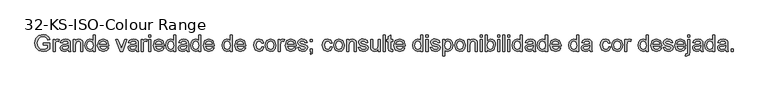
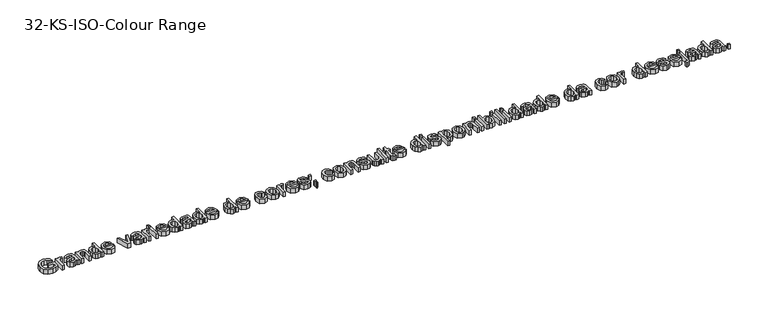
"""IFC4 building model written with IfcOpenShell, lengths in millimetres: proxy geometry, 32-KS-ISO-Colour Range."""

from ifc_helpers import new_model, si_unit, origin, origin_with_axes, place, context, project, spatial, polyline, outline, extrude, source, transform, mapped, element, save


def proxy_32_ks_iso_colour_range_17baf483(model_context):
    return source(origin(), model_context, "Body", "SweptSolid", [
        extrude(outline(polyline([(-1056.0437753, 357.6650582), (-1056.0437753, 363.9435776), (-1035.6385873, 363.9435776), (-1035.6385873, 345.1693331), (-1045.7124226, 339.246433), (-1056.3626063, 337.2598702), (-1069.771905, 340.417524), (-1078.8708531, 349.5593916), (-1081.9426677, 362.913508), (-1078.8831158, 376.5680614), (-1070.0846047, 385.9797091), (-1056.8653784, 389.0576552), (-1047.0429291, 387.2734275), (-1040.1574044, 382.3070205), (-1036.3620885, 373.9990188), (-1042.1500986, 372.3680753), (-1045.0134468, 378.1744795), (-1049.9062773, 381.5222056), (-1056.9634802, 382.7791358), (-1065.0017018, 381.4241038), (-1070.4708808, 377.8679111), (-1073.702111, 373.0302629), (-1075.6641483, 363.1710254), (-1073.3035722, 352.2265361), (-1066.4364416, 345.6782366), (-1056.8653784, 343.5383896), (-1048.2753338, 345.150939), (-1041.9171066, 348.5906357), (-1041.9171066, 357.6650582), (-1056.0437753, 357.6650582)])), origin_with_axes(), (0.0, 0.0, 1.0), 15.0),
        extrude(outline(polyline([(-1026.2208082, 338.0446852), (-1026.2208082, 374.9309865), (-1020.7271037, 374.9309865), (-1020.7271037, 369.4740703), (-1016.8275546, 374.5017909), (-1012.90348, 375.7158015), (-1006.6004351, 373.7782896), (-1008.6973625, 368.1496951), (-1013.1119464, 369.4372821), (-1016.6620077, 368.198746), (-1018.9244819, 364.7651807), (-1019.9422888, 357.4320663), (-1019.9422888, 338.0446852), (-1026.2208082, 338.0446852)])), origin_with_axes(), (0.0, 0.0, 1.0), 15.0),
        extrude(outline(polyline([(-979.1319128, 342.7535747), (-985.2203598, 338.4984063), (-991.946469, 337.2598702), (-1001.0638111, 340.2397144), (-1004.2459903, 347.8548717), (-1003.0442425, 352.8212786), (-999.8865887, 356.4265222), (-995.4903989, 358.4866614), (-990.0580081, 359.4308918), (-979.168701, 361.5891328), (-980.8609582, 367.6223976), (-987.8016652, 369.4372821), (-994.1537609, 368.2294029), (-997.182656, 363.9435776), (-1003.4611754, 364.7283925), (-1000.74498, 370.8597591), (-995.275801, 374.4527399), (-986.9923248, 375.7158015), (-979.3832988, 374.5998927), (-975.0852109, 371.7978582), (-973.1599617, 367.5365584), (-972.8533934, 362.042854), (-972.8533934, 354.2314929), (-972.5345624, 343.3237918), (-971.2837636, 338.0446852), (-977.562283, 338.0446852), (-979.1319128, 342.7535747)]), holes=[polyline([(-979.1319128, 355.3106135), (-989.2609304, 353.3853644), (-994.6626644, 352.3675575), (-997.1090796, 350.7120885), (-997.967471, 348.2963301), (-996.0974041, 344.899553), (-990.6098311, 343.5383896), (-984.2577353, 345.0405744), (-980.1619824, 348.6764748), (-979.168701, 353.5325172), (-979.1319128, 355.3106135)])]), origin_with_axes(), (0.0, 0.0, 1.0), 15.0),
        extrude(outline(polyline([(-964.2204293, 338.0446852), (-964.2204293, 374.9309865), (-957.9419099, 374.9309865), (-957.9419099, 369.7806386), (-953.1410498, 374.2320107), (-946.586619, 375.7158015), (-940.6575875, 374.520185), (-936.6108855, 371.3809253), (-934.728556, 366.7640062), (-934.3974622, 360.6939533), (-934.3974622, 338.0446852), (-940.6759816, 338.0446852), (-940.6759816, 359.8478247), (-941.3994828, 365.4028429), (-943.9562627, 368.3397675), (-948.2666134, 369.4372821), (-955.0785617, 366.9724727), (-957.9419099, 357.6160073), (-957.9419099, 338.0446852), (-964.2204293, 338.0446852)])), origin_with_axes(), (0.0, 0.0, 1.0), 15.0),
        extrude(outline(polyline([(-903.0048653, 338.0446852), (-903.0048653, 343.9675853), (-907.1588661, 338.936799), (-912.9008909, 337.2598702), (-920.6754638, 339.6878914), (-926.1691682, 346.4630515), (-928.1189428, 356.4510476), (-926.3224524, 366.4451752), (-920.9391125, 373.3245685), (-912.9254164, 375.7158015), (-907.1374063, 374.0051502), (-903.0048653, 369.5599094), (-903.0048653, 388.2728402), (-896.7263459, 388.2728402), (-896.7263459, 338.0446852), (-903.0048653, 338.0446852)]), holes=[polyline([(-921.8404234, 356.4755731), (-919.0077321, 346.7573571), (-912.3245425, 343.5383896), (-905.7210607, 346.6102043), (-903.0048653, 355.9973265), (-905.7701116, 366.1876578), (-912.5820599, 369.4372821), (-919.1916731, 366.3164165), (-921.8404234, 356.4755731)])]), origin_with_axes(), (0.0, 0.0, 1.0), 15.0),
        extrude(outline(polyline([(-861.4832507, 349.0320941), (-855.3273587, 348.2472792), (-861.0847119, 340.1416125), (-871.8084721, 337.2598702), (-884.8437574, 342.2324085), (-889.6630116, 356.1812675), (-884.7947065, 370.589979), (-872.1640913, 375.7158015), (-859.8952268, 370.6022417), (-855.131155, 356.2180557), (-855.1679432, 354.5257985), (-883.3844922, 354.5257985), (-879.7731173, 346.371081), (-871.6858447, 343.5383896), (-865.5299527, 344.8505021), (-861.4832507, 349.0320941)]), holes=[polyline([(-883.3844922, 360.8043179), (-861.4096743, 360.8043179), (-863.9235346, 366.4942261), (-872.1886168, 369.4372821), (-879.9202701, 367.0889687), (-883.3844922, 360.8043179)])]), origin_with_axes(), (0.0, 0.0, 1.0), 15.0),
        extrude(outline(polyline([(-820.1823654, 338.0446852), (-833.1563371, 374.9309865), (-826.5099357, 374.9309865), (-818.6495238, 352.8335414), (-816.2828163, 345.4023251), (-813.9651597, 352.4166084), (-806.0556968, 374.9309865), (-799.4092954, 374.9309865), (-812.2238516, 338.0446852), (-820.1823654, 338.0446852)])), origin_with_axes(), (0.0, 0.0, 1.0), 15.0),
        extrude(outline(polyline([(-770.3711433, 342.7535747), (-776.4595903, 338.4984063), (-783.1856994, 337.2598702), (-792.3030416, 340.2397144), (-795.4852208, 347.8548717), (-794.283473, 352.8212786), (-791.1258192, 356.4265222), (-786.7296293, 358.4866614), (-781.2972385, 359.4308918), (-770.4079315, 361.5891328), (-772.1001886, 367.6223976), (-779.0408956, 369.4372821), (-785.3929914, 368.2294029), (-788.4218865, 363.9435776), (-794.7004059, 364.7283925), (-791.9842105, 370.8597591), (-786.5150315, 374.4527399), (-778.2315552, 375.7158015), (-770.6225293, 374.5998927), (-766.3244413, 371.7978582), (-764.3991922, 367.5365584), (-764.0926239, 362.042854), (-764.0926239, 354.2314929), (-763.7737928, 343.3237918), (-762.522994, 338.0446852), (-768.8015134, 338.0446852), (-770.3711433, 342.7535747)]), holes=[polyline([(-770.3711433, 355.3106135), (-780.5001609, 353.3853644), (-785.9018948, 352.3675575), (-788.3483101, 350.7120885), (-789.2067014, 348.2963301), (-787.3366346, 344.899553), (-781.8490615, 343.5383896), (-775.4969657, 345.0405744), (-771.4012129, 348.6764748), (-770.4079315, 353.5325172), (-770.3711433, 355.3106135)])]), origin_with_axes(), (0.0, 0.0, 1.0), 15.0),
        extrude(outline(polyline([(-755.4596597, 338.0446852), (-755.4596597, 374.9309865), (-749.9659553, 374.9309865), (-749.9659553, 369.4740703), (-746.0664061, 374.5017909), (-742.1423315, 375.7158015), (-735.8392867, 373.7782896), (-737.936214, 368.1496951), (-742.350798, 369.4372821), (-745.9008592, 368.198746), (-748.1633335, 364.7651807), (-749.1811403, 357.4320663), (-749.1811403, 338.0446852), (-755.4596597, 338.0446852)])), origin_with_axes(), (0.0, 0.0, 1.0), 15.0),
        extrude(outline(polyline([(-731.915212, 381.9943208), (-731.915212, 388.2728402), (-725.6366927, 388.2728402), (-725.6366927, 381.9943208), (-731.915212, 381.9943208)])), origin_with_axes(), (0.0, 0.0, 1.0), 15.0),
        extrude(outline(polyline([(-731.915212, 338.0446852), (-731.915212, 374.9309865), (-725.6366927, 374.9309865), (-725.6366927, 338.0446852), (-731.915212, 338.0446852)])), origin_with_axes(), (0.0, 0.0, 1.0), 15.0),
        extrude(outline(polyline([(-690.3935975, 349.0320941), (-684.2377055, 348.2472792), (-689.9950587, 340.1416125), (-700.7188189, 337.2598702), (-713.7541042, 342.2324085), (-718.5733584, 356.1812675), (-713.7050533, 370.589979), (-701.0744381, 375.7158015), (-688.8055736, 370.6022417), (-684.0415017, 356.2180557), (-684.0782899, 354.5257985), (-712.294839, 354.5257985), (-708.683464, 346.371081), (-700.5961915, 343.5383896), (-694.4402995, 344.8505021), (-690.3935975, 349.0320941)]), holes=[polyline([(-712.294839, 360.8043179), (-690.3200211, 360.8043179), (-692.8338814, 366.4942261), (-701.0989636, 369.4372821), (-708.8306168, 367.0889687), (-712.294839, 360.8043179)])]), origin_with_axes(), (0.0, 0.0, 1.0), 15.0),
        extrude(outline(polyline([(-655.0033496, 338.0446852), (-655.0033496, 343.9675853), (-659.1573504, 338.936799), (-664.8993753, 337.2598702), (-672.6739481, 339.6878914), (-678.1676525, 346.4630515), (-680.1174271, 356.4510476), (-678.3209367, 366.4451752), (-672.9375968, 373.3245685), (-664.9239007, 375.7158015), (-659.1358907, 374.0051502), (-655.0033496, 369.5599094), (-655.0033496, 388.2728402), (-648.7248302, 388.2728402), (-648.7248302, 338.0446852), (-655.0033496, 338.0446852)]), holes=[polyline([(-673.8389077, 356.4755731), (-671.0062164, 346.7573571), (-664.3230268, 343.5383896), (-657.719545, 346.6102043), (-655.0033496, 355.9973265), (-657.7685959, 366.1876578), (-664.5805442, 369.4372821), (-671.1901574, 366.3164165), (-673.8389077, 356.4755731)])]), origin_with_axes(), (0.0, 0.0, 1.0), 15.0),
        extrude(outline(polyline([(-615.7626034, 342.7535747), (-621.8510505, 338.4984063), (-628.5771596, 337.2598702), (-637.6945017, 340.2397144), (-640.876681, 347.8548717), (-639.6749331, 352.8212786), (-636.5172793, 356.4265222), (-632.1210895, 358.4866614), (-626.6886987, 359.4308918), (-615.7993916, 361.5891328), (-617.4916488, 367.6223976), (-624.4323558, 369.4372821), (-630.7844516, 368.2294029), (-633.8133467, 363.9435776), (-640.091866, 364.7283925), (-637.3756706, 370.8597591), (-631.9064917, 374.4527399), (-623.6230154, 375.7158015), (-616.0139895, 374.5998927), (-611.7159015, 371.7978582), (-609.7906524, 367.5365584), (-609.484084, 362.042854), (-609.484084, 354.2314929), (-609.165253, 343.3237918), (-607.9144542, 338.0446852), (-614.1929736, 338.0446852), (-615.7626034, 342.7535747)]), holes=[polyline([(-615.7626034, 355.3106135), (-625.891621, 353.3853644), (-631.293355, 352.3675575), (-633.7397703, 350.7120885), (-634.5981616, 348.2963301), (-632.7280948, 344.899553), (-627.2405217, 343.5383896), (-620.8884259, 345.0405744), (-616.792673, 348.6764748), (-615.7993916, 353.5325172), (-615.7626034, 355.3106135)])]), origin_with_axes(), (0.0, 0.0, 1.0), 15.0),
        extrude(outline(polyline([(-578.0914871, 338.0446852), (-578.0914871, 343.9675853), (-582.245488, 338.936799), (-587.9875128, 337.2598702), (-595.7620856, 339.6878914), (-601.2557901, 346.4630515), (-603.2055647, 356.4510476), (-601.4090743, 366.4451752), (-596.0257344, 373.3245685), (-588.0120383, 375.7158015), (-582.2240282, 374.0051502), (-578.0914871, 369.5599094), (-578.0914871, 388.2728402), (-571.8129677, 388.2728402), (-571.8129677, 338.0446852), (-578.0914871, 338.0446852)]), holes=[polyline([(-596.9270453, 356.4755731), (-594.0943539, 346.7573571), (-587.4111643, 343.5383896), (-580.8076825, 346.6102043), (-578.0914871, 355.9973265), (-580.8567335, 366.1876578), (-587.6686817, 369.4372821), (-594.2782949, 366.3164165), (-596.9270453, 356.4755731)])]), origin_with_axes(), (0.0, 0.0, 1.0), 15.0),
        extrude(outline(polyline([(-536.5698726, 349.0320941), (-530.4139806, 348.2472792), (-536.1713338, 340.1416125), (-546.8950939, 337.2598702), (-559.9303793, 342.2324085), (-564.7496334, 356.1812675), (-559.8813284, 370.589979), (-547.2507132, 375.7158015), (-534.9818487, 370.6022417), (-530.2177768, 356.2180557), (-530.254565, 354.5257985), (-558.471114, 354.5257985), (-554.8597391, 346.371081), (-546.7724666, 343.5383896), (-540.6165746, 344.8505021), (-536.5698726, 349.0320941)]), holes=[polyline([(-558.471114, 360.8043179), (-536.4962962, 360.8043179), (-539.0101565, 366.4942261), (-547.2752387, 369.4372821), (-555.0068919, 367.0889687), (-558.471114, 360.8043179)])]), origin_with_axes(), (0.0, 0.0, 1.0), 15.0),
        extrude(outline(polyline([(-481.5592516, 338.0446852), (-481.5592516, 343.9675853), (-485.7132525, 338.936799), (-491.4552773, 337.2598702), (-499.2298501, 339.6878914), (-504.7235546, 346.4630515), (-506.6733291, 356.4510476), (-504.8768387, 366.4451752), (-499.4934989, 373.3245685), (-491.4798027, 375.7158015), (-485.6917927, 374.0051502), (-481.5592516, 369.5599094), (-481.5592516, 388.2728402), (-475.2807322, 388.2728402), (-475.2807322, 338.0446852), (-481.5592516, 338.0446852)]), holes=[polyline([(-500.3948097, 356.4755731), (-497.5621184, 346.7573571), (-490.8789288, 343.5383896), (-484.275447, 346.6102043), (-481.5592516, 355.9973265), (-484.3244979, 366.1876578), (-491.1364462, 369.4372821), (-497.7460594, 366.3164165), (-500.3948097, 356.4755731)])]), origin_with_axes(), (0.0, 0.0, 1.0), 15.0),
        extrude(outline(polyline([(-440.0376371, 349.0320941), (-433.881745, 348.2472792), (-439.6390982, 340.1416125), (-450.3628584, 337.2598702), (-463.3981438, 342.2324085), (-468.2173979, 356.1812675), (-463.3490928, 370.589979), (-450.7184777, 375.7158015), (-438.4496131, 370.6022417), (-433.6855413, 356.2180557), (-433.7223295, 354.5257985), (-461.9388785, 354.5257985), (-458.3275036, 346.371081), (-450.2402311, 343.5383896), (-444.084339, 344.8505021), (-440.0376371, 349.0320941)]), holes=[polyline([(-461.9388785, 360.8043179), (-439.9640607, 360.8043179), (-442.477921, 366.4942261), (-450.7430031, 369.4372821), (-458.4746564, 367.0889687), (-461.9388785, 360.8043179)])]), origin_with_axes(), (0.0, 0.0, 1.0), 15.0),
        extrude(outline(polyline([(-384.2422011, 351.3865388), (-377.9636817, 350.6017239), (-383.0036651, 340.7976688), (-392.9610044, 337.2598702), (-404.861987, 342.1956203), (-409.3562787, 356.3529458), (-407.4371609, 366.7824003), (-401.5878372, 373.483984), (-393.0468436, 375.7158015), (-383.5003058, 372.6501182), (-378.7484967, 363.9435776), (-385.0270161, 363.1587627), (-387.9394152, 367.8615209), (-392.9977926, 369.4372821), (-400.2757248, 366.3348106), (-403.0777593, 356.524624), (-400.3370384, 346.622467), (-393.1694709, 343.5383896), (-387.2527021, 345.4636387), (-384.2422011, 351.3865388)])), origin_with_axes(), (0.0, 0.0, 1.0), 15.0),
        extrude(outline(polyline([(-374.0396071, 356.4878358), (-372.6815094, 365.3813831), (-368.6072163, 371.6323113), (-357.546231, 375.7158015), (-345.6820367, 370.7432632), (-341.0773804, 357.0028706), (-343.1129941, 345.8315207), (-349.0420256, 339.5100818), (-357.546231, 337.2598702), (-369.4840018, 342.2140144), (-374.0396071, 356.4878358)]), holes=[polyline([(-367.7610878, 356.5000986), (-364.85482, 346.7696198), (-357.546231, 343.5383896), (-350.2621675, 346.7880139), (-347.3558998, 356.6963023), (-350.2805616, 366.2060519), (-357.546231, 369.4372821), (-364.85482, 366.2183146), (-367.7610878, 356.5000986)])]), origin_with_axes(), (0.0, 0.0, 1.0), 15.0),
        extrude(outline(polyline([(-334.0140461, 338.0446852), (-334.0140461, 374.9309865), (-328.5203416, 374.9309865), (-328.5203416, 369.4740703), (-324.6207924, 374.5017909), (-320.6967178, 375.7158015), (-314.393673, 373.7782896), (-316.4906004, 368.1496951), (-320.9051843, 369.4372821), (-324.4552456, 368.198746), (-326.7177198, 364.7651807), (-327.7355267, 357.4320663), (-327.7355267, 338.0446852), (-334.0140461, 338.0446852)])), origin_with_axes(), (0.0, 0.0, 1.0), 15.0),
        extrude(outline(polyline([(-284.6442823, 349.0320941), (-278.4883903, 348.2472792), (-284.2457435, 340.1416125), (-294.9695036, 337.2598702), (-308.004789, 342.2324085), (-312.8240431, 356.1812675), (-307.9557381, 370.589979), (-295.3251229, 375.7158015), (-283.0562584, 370.6022417), (-278.2921865, 356.2180557), (-278.3289747, 354.5257985), (-306.5455238, 354.5257985), (-302.9341488, 346.371081), (-294.8468763, 343.5383896), (-288.6909843, 344.8505021), (-284.6442823, 349.0320941)]), holes=[polyline([(-306.5455238, 360.8043179), (-284.5707059, 360.8043179), (-287.0845662, 366.4942261), (-295.3496484, 369.4372821), (-303.0813016, 367.0889687), (-306.5455238, 360.8043179)])]), origin_with_axes(), (0.0, 0.0, 1.0), 15.0),
        extrude(outline(polyline([(-274.3681119, 349.0320941), (-268.0895925, 349.816909), (-265.1833248, 345.1570704), (-258.5246606, 343.5383896), (-252.1235139, 345.0221803), (-250.0388493, 348.5047966), (-252.1357767, 351.3252252), (-258.598237, 353.1155842), (-268.0528043, 356.1873989), (-272.179214, 359.7742483), (-273.583297, 364.8387571), (-272.4551255, 369.5169898), (-269.3771795, 373.0915766), (-265.3856599, 374.9493806), (-259.9839259, 375.7158015), (-252.3442431, 374.4833968), (-247.4882008, 371.1479334), (-245.3299598, 365.5132075), (-251.6084791, 364.7283925), (-253.9690553, 368.1926147), (-259.4934166, 369.4372821), (-265.5021558, 368.247797), (-267.3047776, 365.4764193), (-266.5567509, 363.649272), (-264.2145688, 362.2635832), (-258.8067035, 360.9269453), (-249.5912595, 357.9716266), (-245.3115657, 354.6239004), (-243.7603299, 349.1669841), (-245.5813458, 343.1582449), (-250.8359269, 338.7988432), (-258.6104998, 337.2598702), (-269.5611205, 340.2274517), (-274.3681119, 349.0320941)])), origin_with_axes(), (0.0, 0.0, 1.0), 15.0),
        extrude(outline(polyline([(-235.1273658, 368.6524672), (-235.1273658, 374.9309865), (-228.8488464, 374.9309865), (-228.8488464, 368.6524672), (-235.1273658, 368.6524672)])), origin_with_axes(), (0.0, 0.0, 1.0), 15.0),
        extrude(outline(polyline([(-235.1273658, 338.0446852), (-235.1273658, 344.3232045), (-228.8488464, 344.3232045), (-228.8488464, 338.0446852), (-229.9770178, 331.6251443), (-233.5577359, 327.8420912), (-235.1273658, 330.4663161), (-232.8219719, 333.0844096), (-232.0003688, 338.0446852), (-235.1273658, 338.0446852)])), origin_with_axes(), (0.0, 0.0, 1.0), 15.0),
        extrude(outline(polyline([(-173.9118018, 351.3865388), (-167.6332824, 350.6017239), (-172.6732657, 340.7976688), (-182.630605, 337.2598702), (-194.5315876, 342.1956203), (-199.0258793, 356.3529458), (-197.1067616, 366.7824003), (-191.2574378, 373.483984), (-182.7164442, 375.7158015), (-173.1699064, 372.6501182), (-168.4180973, 363.9435776), (-174.6966167, 363.1587627), (-177.6090158, 367.8615209), (-182.6673932, 369.4372821), (-189.9453254, 366.3348106), (-192.7473599, 356.524624), (-190.006639, 346.622467), (-182.8390715, 343.5383896), (-176.9223028, 345.4636387), (-173.9118018, 351.3865388)])), origin_with_axes(), (0.0, 0.0, 1.0), 15.0),
        extrude(outline(polyline([(-163.7092078, 356.4878358), (-162.3511101, 365.3813831), (-158.276817, 371.6323113), (-147.2158316, 375.7158015), (-135.3516373, 370.7432632), (-130.746981, 357.0028706), (-132.7825947, 345.8315207), (-138.7116262, 339.5100818), (-147.2158316, 337.2598702), (-159.1536024, 342.2140144), (-163.7092078, 356.4878358)]), holes=[polyline([(-157.4306884, 356.5000986), (-154.5244206, 346.7696198), (-147.2158316, 343.5383896), (-139.9317681, 346.7880139), (-137.0255004, 356.6963023), (-139.9501622, 366.2060519), (-147.2158316, 369.4372821), (-154.5244206, 366.2183146), (-157.4306884, 356.5000986)])]), origin_with_axes(), (0.0, 0.0, 1.0), 15.0),
        extrude(outline(polyline([(-123.6836467, 338.0446852), (-123.6836467, 374.9309865), (-117.4051273, 374.9309865), (-117.4051273, 369.7806386), (-112.6042673, 374.2320107), (-106.0498364, 375.7158015), (-100.1208049, 374.520185), (-96.0741029, 371.3809253), (-94.1917734, 366.7640062), (-93.8606796, 360.6939533), (-93.8606796, 338.0446852), (-100.139199, 338.0446852), (-100.139199, 359.8478247), (-100.8627002, 365.4028429), (-103.4194801, 368.3397675), (-107.7298308, 369.4372821), (-114.5417791, 366.9724727), (-117.4051273, 357.6160073), (-117.4051273, 338.0446852), (-123.6836467, 338.0446852)])), origin_with_axes(), (0.0, 0.0, 1.0), 15.0),
        extrude(outline(polyline([(-87.5821602, 349.0320941), (-81.3036408, 349.816909), (-78.3973731, 345.1570704), (-71.738709, 343.5383896), (-65.3375622, 345.0221803), (-63.2528976, 348.5047966), (-65.349825, 351.3252252), (-71.8122854, 353.1155842), (-81.2668526, 356.1873989), (-85.3932624, 359.7742483), (-86.7973453, 364.8387571), (-85.6691738, 369.5169898), (-82.5912278, 373.0915766), (-78.5997082, 374.9493806), (-73.1979742, 375.7158015), (-65.5582914, 374.4833968), (-60.7022491, 371.1479334), (-58.5440081, 365.5132075), (-64.8225275, 364.7283925), (-67.1831036, 368.1926147), (-72.7074649, 369.4372821), (-78.7162041, 368.247797), (-80.5188259, 365.4764193), (-79.7707992, 363.649272), (-77.4286172, 362.2635832), (-72.0207518, 360.9269453), (-62.8053078, 357.9716266), (-58.525614, 354.6239004), (-56.9743782, 349.1669841), (-58.7953941, 343.1582449), (-64.0499753, 338.7988432), (-71.8245481, 337.2598702), (-82.7751688, 340.2274517), (-87.5821602, 349.0320941)])), origin_with_axes(), (0.0, 0.0, 1.0), 15.0),
        extrude(outline(polyline([(-26.3665962, 338.0446852), (-26.3665962, 344.3845182), (-31.2839522, 339.0410322), (-37.6973617, 337.2598702), (-43.6018677, 338.510669), (-47.6730951, 341.6499287), (-49.5431619, 346.2729791), (-49.9110439, 352.1100401), (-49.9110439, 374.9309865), (-43.6325245, 374.9309865), (-43.6325245, 355.0653588), (-43.2523798, 348.6642121), (-40.7691763, 344.9056844), (-36.0909436, 343.5383896), (-30.8486252, 344.9363412), (-27.3844031, 348.7439198), (-26.3665962, 355.7398091), (-26.3665962, 374.9309865), (-20.0880768, 374.9309865), (-20.0880768, 338.0446852), (-26.3665962, 338.0446852)])), origin_with_axes(), (0.0, 0.0, 1.0), 15.0),
        extrude(outline(polyline([(-11.4551127, 338.0446852), (-11.4551127, 388.2728402), (-5.1765933, 388.2728402), (-5.1765933, 338.0446852), (-11.4551127, 338.0446852)])), origin_with_axes(), (0.0, 0.0, 1.0), 15.0),
        extrude(outline(polyline([(17.5830395, 343.2808722), (18.3678544, 337.8607442), (13.6712276, 337.2598702), (8.4105151, 338.3022026), (5.7862902, 341.036792), (5.0260007, 348.16144), (5.0260007, 368.6524672), (0.3171112, 368.6524672), (0.3171112, 374.9309865), (5.0260007, 374.9309865), (5.0260007, 383.8950445), (11.3045201, 387.5861272), (11.3045201, 374.9309865), (17.5830395, 374.9309865), (17.5830395, 368.6524672), (11.3045201, 368.6524672), (11.3045201, 348.345381), (11.6356139, 345.1080195), (14.84845, 343.5383896), (17.5830395, 343.2808722)])), origin_with_axes(), (0.0, 0.0, 1.0), 15.0),
        extrude(outline(polyline([(49.6868749, 349.0320941), (55.842767, 348.2472792), (50.0854137, 340.1416125), (39.3616536, 337.2598702), (26.3263682, 342.2324085), (21.5071141, 356.1812675), (26.3754191, 370.589979), (39.0060343, 375.7158015), (51.2748989, 370.6022417), (56.0389707, 356.2180557), (56.0021825, 354.5257985), (27.7856335, 354.5257985), (31.3970084, 346.371081), (39.4842809, 343.5383896), (45.640173, 344.8505021), (49.6868749, 349.0320941)]), holes=[polyline([(27.7856335, 360.8043179), (49.7604513, 360.8043179), (47.246591, 366.4942261), (38.9815089, 369.4372821), (31.2498556, 367.0889687), (27.7856335, 360.8043179)])]), origin_with_axes(), (0.0, 0.0, 1.0), 15.0),
        extrude(outline(polyline([(104.6974959, 338.0446852), (104.6974959, 343.9675853), (100.5434951, 338.936799), (94.8014703, 337.2598702), (87.0268974, 339.6878914), (81.533193, 346.4630515), (79.5834184, 356.4510476), (81.3799088, 366.4451752), (86.7632487, 373.3245685), (94.7769448, 375.7158015), (100.5649548, 374.0051502), (104.6974959, 369.5599094), (104.6974959, 388.2728402), (110.9760153, 388.2728402), (110.9760153, 338.0446852), (104.6974959, 338.0446852)]), holes=[polyline([(85.8619378, 356.4755731), (88.6946291, 346.7573571), (95.3778187, 343.5383896), (101.9813005, 346.6102043), (104.6974959, 355.9973265), (101.9322496, 366.1876578), (95.1203013, 369.4372821), (88.5106881, 366.3164165), (85.8619378, 356.4755731)])]), origin_with_axes(), (0.0, 0.0, 1.0), 15.0),
        extrude(outline(polyline([(120.3937944, 381.9943208), (120.3937944, 388.2728402), (126.6723138, 388.2728402), (126.6723138, 381.9943208), (120.3937944, 381.9943208)])), origin_with_axes(), (0.0, 0.0, 1.0), 15.0),
        extrude(outline(polyline([(120.3937944, 338.0446852), (120.3937944, 374.9309865), (126.6723138, 374.9309865), (126.6723138, 338.0446852), (120.3937944, 338.0446852)])), origin_with_axes(), (0.0, 0.0, 1.0), 15.0),
        extrude(outline(polyline([(133.7356481, 349.0320941), (140.0141675, 349.816909), (142.9204352, 345.1570704), (149.5790993, 343.5383896), (155.980246, 345.0221803), (158.0649107, 348.5047966), (155.9679833, 351.3252252), (149.5055229, 353.1155842), (140.0509557, 356.1873989), (135.9245459, 359.7742483), (134.520463, 364.8387571), (135.6486344, 369.5169898), (138.7265805, 373.0915766), (142.7181001, 374.9493806), (148.1198341, 375.7158015), (155.7595169, 374.4833968), (160.6155592, 371.1479334), (162.7738002, 365.5132075), (156.4952808, 364.7283925), (154.1347047, 368.1926147), (148.6103434, 369.4372821), (142.6016042, 368.247797), (140.7989824, 365.4764193), (141.5470091, 363.649272), (143.8891911, 362.2635832), (149.2970565, 360.9269453), (158.5125004, 357.9716266), (162.7921943, 354.6239004), (164.3434301, 349.1669841), (162.5224142, 343.1582449), (157.267833, 338.7988432), (149.4932602, 337.2598702), (138.5426395, 340.2274517), (133.7356481, 349.0320941)])), origin_with_axes(), (0.0, 0.0, 1.0), 15.0),
        extrude(outline(polyline([(171.4067644, 323.9180165), (171.4067644, 374.9309865), (177.6852838, 374.9309865), (177.6852838, 368.7750945), (182.0262913, 373.9806247), (187.8878778, 375.7158015), (195.8463916, 373.2877803), (201.0457905, 366.4451752), (202.7993613, 356.7698787), (200.8189299, 346.5979415), (195.067708, 339.6694973), (187.1275883, 337.2598702), (181.6645407, 338.8724196), (177.6852838, 342.9497784), (177.6852838, 323.9180165), (171.4067644, 323.9180165)]), holes=[polyline([(177.6852838, 356.1935303), (180.4014792, 346.6285984), (186.9926982, 343.5383896), (193.7188074, 346.738963), (196.5208419, 356.6595141), (193.7862524, 366.2489715), (187.2502156, 369.4372821), (180.5854202, 366.0466364), (177.6852838, 356.1935303)])]), origin_with_axes(), (0.0, 0.0, 1.0), 15.0),
        extrude(outline(polyline([(208.2930658, 356.4878358), (209.6511635, 365.3813831), (213.7254566, 371.6323113), (224.7864419, 375.7158015), (236.6506362, 370.7432632), (241.2552925, 357.0028706), (239.2196788, 345.8315207), (233.2906473, 339.5100818), (224.7864419, 337.2598702), (212.8486711, 342.2140144), (208.2930658, 356.4878358)]), holes=[polyline([(214.5715851, 356.5000986), (217.4778529, 346.7696198), (224.7864419, 343.5383896), (232.0705054, 346.7880139), (234.9767731, 356.6963023), (232.0521113, 366.2060519), (224.7864419, 369.4372821), (217.4778529, 366.2183146), (214.5715851, 356.5000986)])]), origin_with_axes(), (0.0, 0.0, 1.0), 15.0),
        extrude(outline(polyline([(248.3186268, 338.0446852), (248.3186268, 374.9309865), (254.5971462, 374.9309865), (254.5971462, 369.7806386), (259.3980063, 374.2320107), (265.9524371, 375.7158015), (271.8814686, 374.520185), (275.9281706, 371.3809253), (277.8105001, 366.7640062), (278.1415939, 360.6939533), (278.1415939, 338.0446852), (271.8630745, 338.0446852), (271.8630745, 359.8478247), (271.1395733, 365.4028429), (268.5827934, 368.3397675), (264.2724427, 369.4372821), (257.4604944, 366.9724727), (254.5971462, 357.6160073), (254.5971462, 338.0446852), (248.3186268, 338.0446852)])), origin_with_axes(), (0.0, 0.0, 1.0), 15.0),
        extrude(outline(polyline([(286.7745581, 381.9943208), (286.7745581, 388.2728402), (293.0530775, 388.2728402), (293.0530775, 381.9943208), (286.7745581, 381.9943208)])), origin_with_axes(), (0.0, 0.0, 1.0), 15.0),
        extrude(outline(polyline([(286.7745581, 338.0446852), (286.7745581, 374.9309865), (293.0530775, 374.9309865), (293.0530775, 338.0446852), (286.7745581, 338.0446852)])), origin_with_axes(), (0.0, 0.0, 1.0), 15.0),
        extrude(outline(polyline([(308.7493759, 338.0446852), (302.4708565, 338.0446852), (302.4708565, 388.2728402), (308.7493759, 388.2728402), (308.7493759, 369.6457485), (318.6086134, 375.7158015), (324.8993955, 374.3485067), (329.7799633, 370.5041399), (332.7782016, 364.5260574), (333.8634535, 357.0396588), (329.3691617, 342.4224809), (318.5718252, 337.2598702), (312.9892159, 338.9245363), (308.7493759, 343.9185343), (308.7493759, 338.0446852)]), holes=[polyline([(308.7493759, 356.7453532), (310.4661586, 347.9652363), (318.0322649, 343.5383896), (324.7522427, 346.8002766), (327.5849341, 356.524624), (324.8687387, 366.2857597), (318.3020451, 369.4372821), (311.5820673, 366.1753951), (308.7493759, 356.7453532)])]), origin_with_axes(), (0.0, 0.0, 1.0), 15.0),
        extrude(outline(polyline([(340.9267878, 381.9943208), (340.9267878, 388.2728402), (347.2053071, 388.2728402), (347.2053071, 381.9943208), (340.9267878, 381.9943208)])), origin_with_axes(), (0.0, 0.0, 1.0), 15.0),
        extrude(outline(polyline([(340.9267878, 338.0446852), (340.9267878, 374.9309865), (347.2053071, 374.9309865), (347.2053071, 338.0446852), (340.9267878, 338.0446852)])), origin_with_axes(), (0.0, 0.0, 1.0), 15.0),
        extrude(outline(polyline([(356.6230862, 338.0446852), (356.6230862, 388.2728402), (362.9016056, 388.2728402), (362.9016056, 338.0446852), (356.6230862, 338.0446852)])), origin_with_axes(), (0.0, 0.0, 1.0), 15.0),
        extrude(outline(polyline([(372.3193847, 381.9943208), (372.3193847, 388.2728402), (378.5979041, 388.2728402), (378.5979041, 381.9943208), (372.3193847, 381.9943208)])), origin_with_axes(), (0.0, 0.0, 1.0), 15.0),
        extrude(outline(polyline([(372.3193847, 338.0446852), (372.3193847, 374.9309865), (378.5979041, 374.9309865), (378.5979041, 338.0446852), (372.3193847, 338.0446852)])), origin_with_axes(), (0.0, 0.0, 1.0), 15.0),
        extrude(outline(polyline([(410.7753159, 338.0446852), (410.7753159, 343.9675853), (406.621315, 338.936799), (400.8792902, 337.2598702), (393.1047174, 339.6878914), (387.6110129, 346.4630515), (385.6612384, 356.4510476), (387.4577288, 366.4451752), (392.8410686, 373.3245685), (400.8547648, 375.7158015), (406.6427748, 374.0051502), (410.7753159, 369.5599094), (410.7753159, 388.2728402), (417.0538353, 388.2728402), (417.0538353, 338.0446852), (410.7753159, 338.0446852)]), holes=[polyline([(391.9397578, 356.4755731), (394.7724491, 346.7573571), (401.4556387, 343.5383896), (408.0591205, 346.6102043), (410.7753159, 355.9973265), (408.0100696, 366.1876578), (401.1981213, 369.4372821), (394.5885081, 366.3164165), (391.9397578, 356.4755731)])]), origin_with_axes(), (0.0, 0.0, 1.0), 15.0),
        extrude(outline(polyline([(450.0160621, 342.7535747), (443.927615, 338.4984063), (437.2015059, 337.2598702), (428.0841638, 340.2397144), (424.9019845, 347.8548717), (426.1037324, 352.8212786), (429.2613862, 356.4265222), (433.657576, 358.4866614), (439.0899668, 359.4308918), (449.9792739, 361.5891328), (448.2870167, 367.6223976), (441.3463097, 369.4372821), (434.9942139, 368.2294029), (431.9653188, 363.9435776), (425.6867994, 364.7283925), (428.4029948, 370.8597591), (433.8721738, 374.4527399), (442.1556501, 375.7158015), (449.764676, 374.5998927), (454.062764, 371.7978582), (455.9880131, 367.5365584), (456.2945814, 362.042854), (456.2945814, 354.2314929), (456.6134125, 343.3237918), (457.8642113, 338.0446852), (451.5856919, 338.0446852), (450.0160621, 342.7535747)]), holes=[polyline([(450.0160621, 355.3106135), (439.8870445, 353.3853644), (434.4853105, 352.3675575), (432.0388952, 350.7120885), (431.1805039, 348.2963301), (433.0505707, 344.899553), (438.5381438, 343.5383896), (444.8902396, 345.0405744), (448.9859925, 348.6764748), (449.9792739, 353.5325172), (450.0160621, 355.3106135)])]), origin_with_axes(), (0.0, 0.0, 1.0), 15.0),
        extrude(outline(polyline([(487.6871784, 338.0446852), (487.6871784, 343.9675853), (483.5331775, 338.936799), (477.7911527, 337.2598702), (470.0165799, 339.6878914), (464.5228754, 346.4630515), (462.5731008, 356.4510476), (464.3695912, 366.4451752), (469.7529311, 373.3245685), (477.7666272, 375.7158015), (483.5546373, 374.0051502), (487.6871784, 369.5599094), (487.6871784, 388.2728402), (493.9656978, 388.2728402), (493.9656978, 338.0446852), (487.6871784, 338.0446852)]), holes=[polyline([(468.8516202, 356.4755731), (471.6843116, 346.7573571), (478.3675012, 343.5383896), (484.970983, 346.6102043), (487.6871784, 355.9973265), (484.921932, 366.1876578), (478.1099838, 369.4372821), (471.5003706, 366.3164165), (468.8516202, 356.4755731)])]), origin_with_axes(), (0.0, 0.0, 1.0), 15.0),
        extrude(outline(polyline([(529.2087929, 349.0320941), (535.3646849, 348.2472792), (529.6073317, 340.1416125), (518.8835716, 337.2598702), (505.8482862, 342.2324085), (501.0290321, 356.1812675), (505.8973371, 370.589979), (518.5279523, 375.7158015), (530.7968168, 370.6022417), (535.5608887, 356.2180557), (535.5241005, 354.5257985), (507.3075514, 354.5257985), (510.9189264, 346.371081), (519.0061989, 343.5383896), (525.1620909, 344.8505021), (529.2087929, 349.0320941)]), holes=[polyline([(507.3075514, 360.8043179), (529.2823693, 360.8043179), (526.768509, 366.4942261), (518.5034268, 369.4372821), (510.7717736, 367.0889687), (507.3075514, 360.8043179)])]), origin_with_axes(), (0.0, 0.0, 1.0), 15.0),
        extrude(outline(polyline([(584.2194139, 338.0446852), (584.2194139, 343.9675853), (580.065413, 338.936799), (574.3233882, 337.2598702), (566.5488154, 339.6878914), (561.0551109, 346.4630515), (559.1053364, 356.4510476), (560.9018268, 366.4451752), (566.2851666, 373.3245685), (574.2988628, 375.7158015), (580.0868728, 374.0051502), (584.2194139, 369.5599094), (584.2194139, 388.2728402), (590.4979333, 388.2728402), (590.4979333, 338.0446852), (584.2194139, 338.0446852)]), holes=[polyline([(565.3838557, 356.4755731), (568.2165471, 346.7573571), (574.8997367, 343.5383896), (581.5032185, 346.6102043), (584.2194139, 355.9973265), (581.4541676, 366.1876578), (574.6422193, 369.4372821), (568.0326061, 366.3164165), (565.3838557, 356.4755731)])]), origin_with_axes(), (0.0, 0.0, 1.0), 15.0),
        extrude(outline(polyline([(623.4601601, 342.7535747), (617.371713, 338.4984063), (610.6456039, 337.2598702), (601.5282618, 340.2397144), (598.3460825, 347.8548717), (599.5478304, 352.8212786), (602.7054842, 356.4265222), (607.101674, 358.4866614), (612.5340648, 359.4308918), (623.4233719, 361.5891328), (621.7311147, 367.6223976), (614.7904077, 369.4372821), (608.4383119, 368.2294029), (605.4094168, 363.9435776), (599.1308974, 364.7283925), (601.8470928, 370.8597591), (607.3162718, 374.4527399), (615.5997481, 375.7158015), (623.208774, 374.5998927), (627.506862, 371.7978582), (629.4321111, 367.5365584), (629.7386794, 362.042854), (629.7386794, 354.2314929), (630.0575105, 343.3237918), (631.3083093, 338.0446852), (625.0297899, 338.0446852), (623.4601601, 342.7535747)]), holes=[polyline([(623.4601601, 355.3106135), (613.3311425, 353.3853644), (607.9294085, 352.3675575), (605.4829932, 350.7120885), (604.6246019, 348.2963301), (606.4946687, 344.899553), (611.9822418, 343.5383896), (618.3343376, 345.0405744), (622.4300905, 348.6764748), (623.4233719, 353.5325172), (623.4601601, 355.3106135)])]), origin_with_axes(), (0.0, 0.0, 1.0), 15.0),
        extrude(outline(polyline([(681.5364644, 351.3865388), (687.8149837, 350.6017239), (682.7750004, 340.7976688), (672.8176611, 337.2598702), (660.9166785, 342.1956203), (656.4223868, 356.3529458), (658.3415046, 366.7824003), (664.1908283, 373.483984), (672.7318219, 375.7158015), (682.2783597, 372.6501182), (687.0301688, 363.9435776), (680.7516494, 363.1587627), (677.8392503, 367.8615209), (672.7808729, 369.4372821), (665.5029407, 366.3348106), (662.7009062, 356.524624), (665.4416271, 346.622467), (672.6091946, 343.5383896), (678.5259634, 345.4636387), (681.5364644, 351.3865388)])), origin_with_axes(), (0.0, 0.0, 1.0), 15.0),
        extrude(outline(polyline([(691.7390584, 356.4878358), (693.0971561, 365.3813831), (697.1714492, 371.6323113), (708.2324345, 375.7158015), (720.0966288, 370.7432632), (724.7012851, 357.0028706), (722.6656714, 345.8315207), (716.7366399, 339.5100818), (708.2324345, 337.2598702), (696.2946637, 342.2140144), (691.7390584, 356.4878358)]), holes=[polyline([(698.0175777, 356.5000986), (700.9238455, 346.7696198), (708.2324345, 343.5383896), (715.516498, 346.7880139), (718.4227657, 356.6963023), (715.4981039, 366.2060519), (708.2324345, 369.4372821), (700.9238455, 366.2183146), (698.0175777, 356.5000986)])]), origin_with_axes(), (0.0, 0.0, 1.0), 15.0),
        extrude(outline(polyline([(731.7646194, 338.0446852), (731.7646194, 374.9309865), (737.2583239, 374.9309865), (737.2583239, 369.4740703), (741.157873, 374.5017909), (745.0819477, 375.7158015), (751.3849925, 373.7782896), (749.2880651, 368.1496951), (744.8734812, 369.4372821), (741.3234199, 368.198746), (739.0609457, 364.7651807), (738.0431388, 357.4320663), (738.0431388, 338.0446852), (731.7646194, 338.0446852)])), origin_with_axes(), (0.0, 0.0, 1.0), 15.0),
        extrude(outline(polyline([(797.689073, 338.0446852), (797.689073, 343.9675853), (793.5350721, 338.936799), (787.7930473, 337.2598702), (780.0184745, 339.6878914), (774.52477, 346.4630515), (772.5749954, 356.4510476), (774.3714858, 366.4451752), (779.7548257, 373.3245685), (787.7685218, 375.7158015), (793.5565319, 374.0051502), (797.689073, 369.5599094), (797.689073, 388.2728402), (803.9675924, 388.2728402), (803.9675924, 338.0446852), (797.689073, 338.0446852)]), holes=[polyline([(778.8535148, 356.4755731), (781.6862062, 346.7573571), (788.3693958, 343.5383896), (794.9728776, 346.6102043), (797.689073, 355.9973265), (794.9238266, 366.1876578), (788.1118784, 369.4372821), (781.5022652, 366.3164165), (778.8535148, 356.4755731)])]), origin_with_axes(), (0.0, 0.0, 1.0), 15.0),
        extrude(outline(polyline([(839.2106875, 349.0320941), (845.3665795, 348.2472792), (839.6092263, 340.1416125), (828.8854662, 337.2598702), (815.8501808, 342.2324085), (811.0309267, 356.1812675), (815.8992317, 370.589979), (828.5298469, 375.7158015), (840.7987114, 370.6022417), (845.5627833, 356.2180557), (845.5259951, 354.5257985), (817.309446, 354.5257985), (820.920821, 346.371081), (829.0080935, 343.5383896), (835.1639855, 344.8505021), (839.2106875, 349.0320941)]), holes=[polyline([(817.309446, 360.8043179), (839.2842639, 360.8043179), (836.7704036, 366.4942261), (828.5053214, 369.4372821), (820.7736682, 367.0889687), (817.309446, 360.8043179)])]), origin_with_axes(), (0.0, 0.0, 1.0), 15.0),
        extrude(outline(polyline([(849.4868579, 349.0320941), (855.7653773, 349.816909), (858.671645, 345.1570704), (865.3303091, 343.5383896), (871.7314559, 345.0221803), (873.8161205, 348.5047966), (871.7191931, 351.3252252), (865.2567328, 353.1155842), (855.8021655, 356.1873989), (851.6757558, 359.7742483), (850.2716728, 364.8387571), (851.3998443, 369.5169898), (854.4777903, 373.0915766), (858.4693099, 374.9493806), (863.8710439, 375.7158015), (871.5107267, 374.4833968), (876.366769, 371.1479334), (878.52501, 365.5132075), (872.2464907, 364.7283925), (869.8859145, 368.1926147), (864.3615532, 369.4372821), (858.352814, 368.247797), (856.5501922, 365.4764193), (857.2982189, 363.649272), (859.640401, 362.2635832), (865.0482663, 360.9269453), (874.2637103, 357.9716266), (878.5434041, 354.6239004), (880.0946399, 349.1669841), (878.273624, 343.1582449), (873.0190428, 338.7988432), (865.24447, 337.2598702), (854.2938493, 340.2274517), (849.4868579, 349.0320941)])), origin_with_axes(), (0.0, 0.0, 1.0), 15.0),
        extrude(outline(polyline([(912.9832903, 349.0320941), (919.1391823, 348.2472792), (913.3818291, 340.1416125), (902.6580689, 337.2598702), (889.6227836, 342.2324085), (884.8035294, 356.1812675), (889.6718345, 370.589979), (902.3024497, 375.7158015), (914.5713142, 370.6022417), (919.335386, 356.2180557), (919.2985978, 354.5257985), (891.0820488, 354.5257985), (894.6934237, 346.371081), (902.7806963, 343.5383896), (908.9365883, 344.8505021), (912.9832903, 349.0320941)]), holes=[polyline([(891.0820488, 360.8043179), (913.0568667, 360.8043179), (910.5430064, 366.4942261), (902.2779242, 369.4372821), (894.5462709, 367.0889687), (891.0820488, 360.8043179)])]), origin_with_axes(), (0.0, 0.0, 1.0), 15.0),
        extrude(outline(polyline([(925.6139054, 381.9943208), (925.6139054, 388.2728402), (931.8924248, 388.2728402), (931.8924248, 381.9943208), (925.6139054, 381.9943208)])), origin_with_axes(), (0.0, 0.0, 1.0), 15.0),
        extrude(outline(polyline([(917.7044425, 323.8934911), (919.0288177, 329.8654421), (921.91056, 329.411721), (924.7003318, 330.6563884), (925.6139054, 336.8797255), (925.6139054, 374.9309865), (931.8924248, 374.9309865), (931.8924248, 336.0703851), (930.1143285, 326.6035551), (922.6095358, 323.1332016), (917.7044425, 323.8934911)])), origin_with_axes(), (0.0, 0.0, 1.0), 15.0),
        extrude(outline(polyline([(964.8546516, 342.7535747), (958.7662046, 338.4984063), (952.0400954, 337.2598702), (942.9227533, 340.2397144), (939.740574, 347.8548717), (940.9423219, 352.8212786), (944.0999757, 356.4265222), (948.4961655, 358.4866614), (953.9285563, 359.4308918), (964.8178634, 361.5891328), (963.1256062, 367.6223976), (956.1848992, 369.4372821), (949.8328034, 368.2294029), (946.8039083, 363.9435776), (940.525389, 364.7283925), (943.2415844, 370.8597591), (948.7107634, 374.4527399), (956.9942396, 375.7158015), (964.6032655, 374.5998927), (968.9013535, 371.7978582), (970.8266026, 367.5365584), (971.133171, 362.042854), (971.133171, 354.2314929), (971.452002, 343.3237918), (972.7028008, 338.0446852), (966.4242814, 338.0446852), (964.8546516, 342.7535747)]), holes=[polyline([(964.8546516, 355.3106135), (954.725634, 353.3853644), (949.3239, 352.3675575), (946.8774847, 350.7120885), (946.0190934, 348.2963301), (947.8891602, 344.899553), (953.3767333, 343.5383896), (959.7288291, 345.0405744), (963.824582, 348.6764748), (964.8178634, 353.5325172), (964.8546516, 355.3106135)])]), origin_with_axes(), (0.0, 0.0, 1.0), 15.0),
        extrude(outline(polyline([(1002.5257679, 338.0446852), (1002.5257679, 343.9675853), (998.371767, 338.936799), (992.6297422, 337.2598702), (984.8551694, 339.6878914), (979.3614649, 346.4630515), (977.4116903, 356.4510476), (979.2081808, 366.4451752), (984.5915206, 373.3245685), (992.6052167, 375.7158015), (998.3932268, 374.0051502), (1002.5257679, 369.5599094), (1002.5257679, 388.2728402), (1008.8042873, 388.2728402), (1008.8042873, 338.0446852), (1002.5257679, 338.0446852)]), holes=[polyline([(983.6902097, 356.4755731), (986.5229011, 346.7573571), (993.2060907, 343.5383896), (999.8095725, 346.6102043), (1002.5257679, 355.9973265), (999.7605216, 366.1876578), (992.9485733, 369.4372821), (986.3389601, 366.3164165), (983.6902097, 356.4755731)])]), origin_with_axes(), (0.0, 0.0, 1.0), 15.0),
        extrude(outline(polyline([(1041.766514, 342.7535747), (1035.678067, 338.4984063), (1028.9519579, 337.2598702), (1019.8346158, 340.2397144), (1016.6524365, 347.8548717), (1017.8541843, 352.8212786), (1021.0118381, 356.4265222), (1025.408028, 358.4866614), (1030.8404188, 359.4308918), (1041.7297258, 361.5891328), (1040.0374687, 367.6223976), (1033.0967617, 369.4372821), (1026.7446659, 368.2294029), (1023.7157708, 363.9435776), (1017.4372514, 364.7283925), (1020.1534468, 370.8597591), (1025.6226258, 374.4527399), (1033.9061021, 375.7158015), (1041.515128, 374.5998927), (1045.813216, 371.7978582), (1047.7384651, 367.5365584), (1048.0450334, 362.042854), (1048.0450334, 354.2314929), (1048.3638645, 343.3237918), (1049.6146633, 338.0446852), (1043.3361439, 338.0446852), (1041.766514, 342.7535747)]), holes=[polyline([(1041.766514, 355.3106135), (1031.6374964, 353.3853644), (1026.2357625, 352.3675575), (1023.7893472, 350.7120885), (1022.9309559, 348.2963301), (1024.8010227, 344.899553), (1030.2885958, 343.5383896), (1036.6406916, 345.0405744), (1040.7364444, 348.6764748), (1041.7297258, 353.5325172), (1041.766514, 355.3106135)])]), origin_with_axes(), (0.0, 0.0, 1.0), 15.0),
        extrude(outline(polyline([(1058.2476274, 338.0446852), (1058.2476274, 344.3232045), (1064.5261468, 344.3232045), (1064.5261468, 338.0446852), (1058.2476274, 338.0446852)])), origin_with_axes(), (0.0, 0.0, 1.0), 15.0),
    ])


if __name__ == "__main__":
    model = new_model("IFC4")
    model_context = context("Model", 3, world=origin())
    ifc_project = project(units=[si_unit("LENGTHUNIT", "METRE", prefix="MILLI")], contexts=[model_context])
    site = spatial("IfcSite", under=ifc_project)
    building = spatial("IfcBuilding", under=site)
    placement = place(None, origin())
    proxy_32_ks_iso_colour_range_shape = proxy_32_ks_iso_colour_range_17baf483(model_context)
    element("IfcBuildingElementProxy", 1, Name="32-KS-ISO-Colour Range", ObjectType="32-KS-ISO-Colour Range", at=placement, inside=building, context=model_context, shape_type="MappedRepresentation", body=[
        mapped(proxy_32_ks_iso_colour_range_shape, transform((0.0, 0.0, 0.0), x_axis=(1.0, 0.0, 0.0), y_axis=(0.0, 1.0, 0.0), z_axis=(0.0, 0.0, 1.0))),
    ])
    save(model, "model.ifc")
